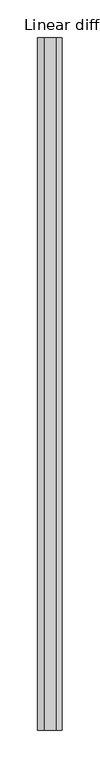
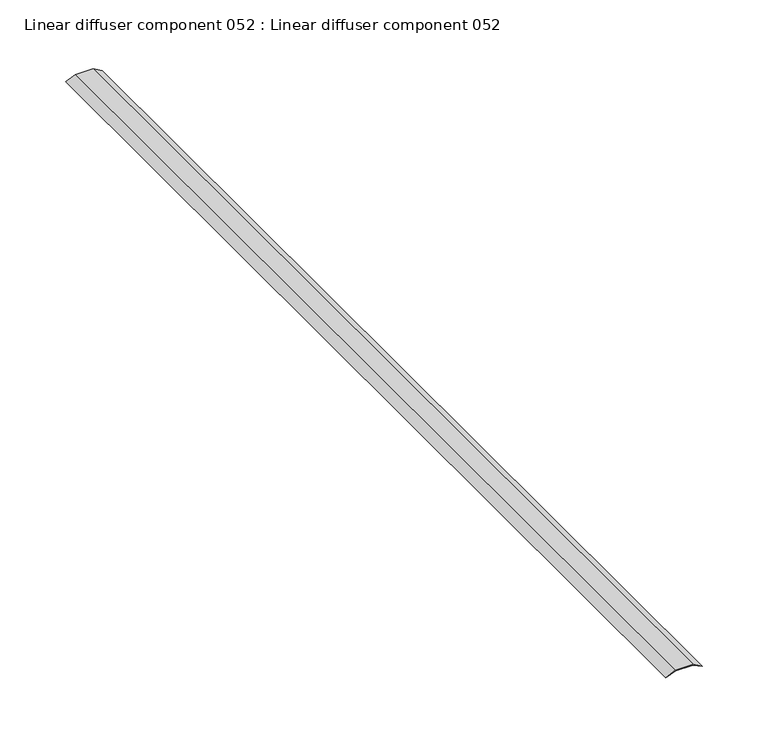
"""IFC4 building model written with IfcOpenShell, lengths in millimetres: proxy geometry, Linear diffuser component 052 : Linear diffuser component 052."""

from ifc_helpers import new_model, si_unit, frame, origin, place, context, project, spatial, polyline, outline, extrude, source, transform, mapped, element, save


def linear_diffuser_component_052_linear_diffuser_component_052_ea940a40(model_context):
    return source(origin(), model_context, "Body", "SweptSolid", [
        extrude(outline(polyline([(2983.4633886, 37360.0505927), (2986.5601216, 37368.7092714), (2986.5601216, 37384.0094237), (2982.7579047, 37392.3461367), (2987.3357812, 37384.1775234), (2987.3357812, 37368.5411716), (2983.4633886, 37360.0505927)])), frame((0.0, -19576.8264268, 0.0), z_axis=(0.0, 1.0, 0.0), x_axis=(0.0, 0.0, 1.0)), (0.0, 0.0, 1.0), 914.4),
    ])


if __name__ == "__main__":
    model = new_model("IFC4")
    model_context = context("Model", 3, world=origin())
    ifc_project = project(units=[si_unit("LENGTHUNIT", "METRE", prefix="MILLI")], contexts=[model_context])
    site = spatial("IfcSite", under=ifc_project)
    building = spatial("IfcBuilding", under=site)
    placement = place(None, origin())
    linear_diffuser_component_052_linear_diffuser_component_052_shape = linear_diffuser_component_052_linear_diffuser_component_052_ea940a40(model_context)
    element("IfcBuildingElementProxy", 1, Name="Linear diffuser component 052 : Linear diffuser component 052", ObjectType="Linear diffuser component 052 : Linear diffuser component 052", at=placement, inside=building, context=model_context, shape_type="MappedRepresentation", body=[
        mapped(linear_diffuser_component_052_linear_diffuser_component_052_shape, transform((0.0, 0.0, 0.0), x_axis=(1.0, 0.0, 0.0), y_axis=(0.0, 1.0, 0.0), z_axis=(0.0, 0.0, 1.0))),
    ])
    save(model, "model.ifc")
